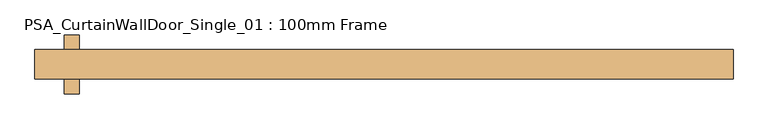
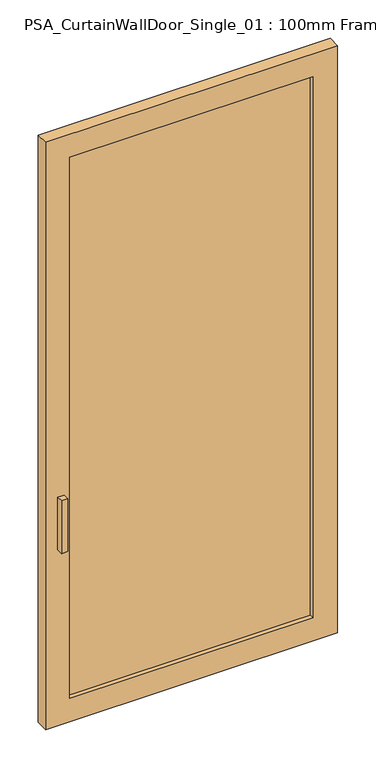
"""IFC4 building model written with IfcOpenShell, lengths in millimetres: door geometry, PSA_CurtainWallDoor_Single_01 : 100mm Frame."""

import ifcopenshell
import ifcopenshell.guid

model = None  # the IFC model being written
_history = None  # IfcOwnerHistory: only IFC2X3 demands one
_inside = {}  # id of a spatial element -> (the spatial element, [elements in it])
_under = {}  # id of a project, library or spatial element -> (it, [spatial elements below it])
_declared = {}  # id of a project -> (the project, [libraries it declares])
_typed = {}  # id of a type object -> (the type object, [elements of that type])
_made_of = {}  # id of a material, layer set ... -> (it, [elements and type objects made of it])


def new_model(schema):
    """Start an empty IFC model of exactly this schema.

    Asked for "IFC4X3", IfcOpenShell would pick the latest addendum, in which some entities
    have other attributes; the version numbers below select the first issue.
    IFC2X3 requires an IfcOwnerHistory on every rooted entity: one is made here for all.
    """
    global model, _history
    if schema == "IFC4X3":
        model = ifcopenshell.file(schema_version=(4, 3, 0, 0))
    else:
        model = ifcopenshell.file(schema=schema)
    _inside.clear()
    _under.clear()
    _declared.clear()
    _typed.clear()
    _made_of.clear()
    _history = None
    if model.schema == "IFC2X3":
        org = make("IfcOrganization", Name="unknown")
        user = make(
            "IfcPersonAndOrganization",
            ThePerson=make("IfcPerson", FamilyName="unknown"),
            TheOrganization=org,
        )
        app = make(
            "IfcApplication",
            ApplicationDeveloper=org,
            Version="unknown",
            ApplicationFullName="unknown",
            ApplicationIdentifier="unknown",
        )
        _history = make(
            "IfcOwnerHistory",
            OwningUser=user,
            OwningApplication=app,
            ChangeAction="ADDED",
            CreationDate=0,
        )
    return model


def make(cls, **values):
    """One entity of the class cls with the attributes given. An attribute that is None is left unset."""
    return model.create_entity(
        cls, **{name: value for name, value in values.items() if value is not None}
    )


def rooted(cls, **values):
    """An entity with a GlobalId (a new one), such as an element, a storey or a relation."""
    return make(cls, GlobalId=ifcopenshell.guid.new(), OwnerHistory=_history, **values)


def si_unit(unit_type, name, prefix=None):
    """IfcSIUnit, for example si_unit("LENGTHUNIT", "METRE", prefix="MILLI")."""
    return make("IfcSIUnit", UnitType=unit_type, Prefix=prefix, Name=name)


def assignment(units):
    """IfcUnitAssignment: the units of a project."""
    return None if units is None else make("IfcUnitAssignment", Units=units)


def point(xyz):
    """IfcCartesianPoint."""
    return None if xyz is None else make("IfcCartesianPoint", Coordinates=xyz)


def direction(xyz):
    """IfcDirection."""
    return None if xyz is None else make("IfcDirection", DirectionRatios=xyz)


def frame(location, z_axis=None, x_axis=None):
    """IfcAxis2Placement3D, a coordinate frame: its origin and axes. An axis left out is left unset."""
    return make(
        "IfcAxis2Placement3D",
        Location=point(location),
        Axis=direction(z_axis),
        RefDirection=direction(x_axis),
    )


def origin():
    """The frame at (0, 0, 0) with its axes left unset."""
    return frame((0.0, 0.0, 0.0))


def place(relative_to, where):
    """IfcLocalPlacement: puts the frame where relative to a parent placement (None: the world)."""
    return make(
        "IfcLocalPlacement", PlacementRelTo=relative_to, RelativePlacement=where
    )


def context(
    kind, dimensions, precision=None, world=None, true_north=None, identifier=None
):
    """IfcGeometricRepresentationContext, for example the 3D "Model" context."""
    return make(
        "IfcGeometricRepresentationContext",
        ContextIdentifier=identifier,
        ContextType=kind,
        CoordinateSpaceDimension=dimensions,
        Precision=precision,
        WorldCoordinateSystem=world,
        TrueNorth=true_north,
    )


def project(units=None, contexts=None):
    """IfcProject with its units and contexts."""
    return rooted(
        "IfcProject",
        Name="project",
        RepresentationContexts=contexts,
        UnitsInContext=assignment(units),
    )


def spatial(cls, under=None, at=None, **own):
    """A site, building, storey or space (cls), placed at a placement, below another one or the project."""
    s = rooted(cls, ObjectPlacement=at, **own)
    if under is not None:
        _under.setdefault(under.id(), (under, []))[1].append(s)
    return s


def polyline(points):
    """IfcPolyline through the points."""
    return make("IfcPolyline", Points=[point(p) for p in points])


def outline(outer, holes=None, kind="AREA"):
    """IfcArbitraryClosedProfileDef: a profile drawn as a closed curve; with holes, ...WithVoids."""
    if holes is None:
        return make("IfcArbitraryClosedProfileDef", ProfileType=kind, OuterCurve=outer)
    return make(
        "IfcArbitraryProfileDefWithVoids",
        ProfileType=kind,
        OuterCurve=outer,
        InnerCurves=holes,
    )


def extrude(swept, where, along, depth):
    """IfcExtrudedAreaSolid: the profile swept, set in the frame where, extruded along a direction by depth."""
    return make(
        "IfcExtrudedAreaSolid",
        SweptArea=swept,
        Position=where,
        ExtrudedDirection=direction(along),
        Depth=depth,
    )


def faces_of(points, faces, orient=None, outer=None):
    """IfcFace entities. A face is a list of loops; a loop is a list of indices into points, from 0.

    orient and outer hold one flag for each loop. By default every Orientation is true, the
    first loop of a face is its IfcFaceOuterBound and the others are IfcFaceBound.
    """
    made = []
    for i, loops in enumerate(faces):
        bounds = []
        for j, loop in enumerate(loops):
            is_outer = j == 0 if outer is None else outer[i][j]
            bounds.append(
                make(
                    "IfcFaceOuterBound" if is_outer else "IfcFaceBound",
                    Bound=make("IfcPolyLoop", Polygon=[points[k] for k in loop]),
                    Orientation=True if orient is None else orient[i][j],
                )
            )
        made.append(make("IfcFace", Bounds=bounds))
    return made


def faceted_brep(points, faces, orient=None, outer=None, voids=None):
    """IfcFacetedBrep: a solid bounded by flat faces; with voids (closed shells), ...WithVoids."""
    shared = [point(p) for p in points]
    hull = make("IfcClosedShell", CfsFaces=faces_of(shared, faces, orient, outer))
    if voids is None:
        return make("IfcFacetedBrep", Outer=hull)
    return make(
        "IfcFacetedBrepWithVoids",
        Outer=hull,
        Voids=[
            make(cls, CfsFaces=faces_of(shared, fs, o, b)) for cls, fs, o, b in voids
        ],
    )


def shape(context_of_items, identifier, shape_type, items):
    """IfcShapeRepresentation: the items that make up one representation, for example the "Body"."""
    return make(
        "IfcShapeRepresentation",
        ContextOfItems=context_of_items,
        RepresentationIdentifier=identifier,
        RepresentationType=shape_type,
        Items=items,
    )


def source(mapping_origin, context_of_items, identifier, shape_type, items):
    """IfcRepresentationMap: a shape defined once, which mapped items show again and again."""
    return make(
        "IfcRepresentationMap",
        MappingOrigin=mapping_origin,
        MappedRepresentation=shape(context_of_items, identifier, shape_type, items),
    )


def transform(
    local_origin,
    x_axis=None,
    y_axis=None,
    z_axis=None,
    scale=None,
    scale2=None,
    scale3=None,
    uniform=True,
):
    """IfcCartesianTransformationOperator3D, or its non-uniform kind. x_axis, y_axis, z_axis: its Axis1, 2, 3."""
    if uniform:
        return make(
            "IfcCartesianTransformationOperator3D",
            Axis1=direction(x_axis),
            Axis2=direction(y_axis),
            LocalOrigin=point(local_origin),
            Scale=scale,
            Axis3=direction(z_axis),
        )
    return make(
        "IfcCartesianTransformationOperator3DnonUniform",
        Axis1=direction(x_axis),
        Axis2=direction(y_axis),
        LocalOrigin=point(local_origin),
        Scale=scale,
        Axis3=direction(z_axis),
        Scale2=scale2,
        Scale3=scale3,
    )


def mapped(mapping_source, mapping_target):
    """IfcMappedItem: shows the shape of a source again, moved by a transform."""
    return make(
        "IfcMappedItem", MappingSource=mapping_source, MappingTarget=mapping_target
    )


def made_of(thing, what):
    """Note that an element or type object is made of a material, layer set ...; save() writes the relation."""
    if what is not None:
        _made_of.setdefault(what.id(), (what, []))[1].append(thing)
    return thing


def element(
    cls,
    number,
    at=None,
    inside=None,
    cuts=None,
    type_object=None,
    material=None,
    context=None,
    identifier="Body",
    shape_type=None,
    held_by="IfcProductDefinitionShape",
    body=None,
    shapes=None,
    **own,
):
    """One element of the class cls, such as IfcWall. Its Tag is "e" and its number.

    at: its placement. inside: the storey or other place that contains it. cuts: it is an
    opening in that element (IfcRelVoidsElement). A single representation is given by context,
    identifier, shape_type and body (its items); several are given by shapes. held_by: the class
    of the entity that holds the representations. save() writes the other relations.
    """
    e = rooted(cls, Tag="e%d" % number, ObjectPlacement=at, **own)
    if body is not None:
        shapes = [shape(context, identifier, shape_type, body)]
    if shapes is not None:
        e.Representation = make(held_by, Representations=shapes)
    if inside is not None:
        _inside.setdefault(inside.id(), (inside, []))[1].append(e)
    if cuts is not None:
        rooted(
            "IfcRelVoidsElement", RelatingBuildingElement=cuts, RelatedOpeningElement=e
        )
    if type_object is not None:
        _typed.setdefault(type_object.id(), (type_object, []))[1].append(e)
    return made_of(e, material)


def aggregate(whole, parts):
    """IfcRelAggregates: a whole, such as a stair, and the parts it consists of."""
    return rooted("IfcRelAggregates", RelatingObject=whole, RelatedObjects=parts)


def save(model, path):
    """Write the relations noted so far, then the file.

    IfcRelAggregates (storeys below a building ...), IfcRelContainedInSpatialStructure (elements
    in a storey), IfcRelDefinesByType, IfcRelAssociatesMaterial and IfcRelDeclares: one each for
    every whole, place, type object, material and project.
    """
    for whole, parts in _under.values():
        aggregate(whole, parts)
    for where, things in _inside.values():
        rooted(
            "IfcRelContainedInSpatialStructure",
            RelatedElements=things,
            RelatingStructure=where,
        )
    for kind, things in _typed.values():
        rooted("IfcRelDefinesByType", RelatedObjects=things, RelatingType=kind)
    for what, things in _made_of.values():
        rooted("IfcRelAssociatesMaterial", RelatedObjects=things, RelatingMaterial=what)
    for by, libraries in _declared.values():
        rooted("IfcRelDeclares", RelatingContext=by, RelatedDefinitions=libraries)
    model.write(path)


def psa_curtainwalldoor_single_01_100mm_frame_1b793189(model_context):
    return source(origin(), model_context, "Body", "SolidModel", [
        faceted_brep([(-599.9092903, -25.4, 2550.0), (-599.9092903, -25.4, 0.0), (600.0, -25.4, 0.0), (600.0, -25.4, 2550.0), (500.0, -25.4, 2450.0), (500.0, -25.4, 100.0), (-500.0, -25.4, 100.0), (-500.0, -25.4, 2450.0), (-549.2000001, -25.4, 990.6), (-523.8000001, -25.4, 990.6), (-523.8000001, -25.4, 762.0), (-549.2000001, -25.4, 762.0), (-599.9092903, 25.4, 2550.0), (600.0, 25.4, 2550.0), (600.0, 25.4, 0.0), (-599.9092903, 25.4, 0.0), (500.0, 25.4, 2450.0), (-500.0, 25.4, 2450.0), (-500.0, 25.4, 100.0), (500.0, 25.4, 100.0), (-523.8000001, 25.4, 990.6), (-549.2000001, 25.4, 990.6), (-549.2000001, 25.4, 762.0), (-523.8000001, 25.4, 762.0), (-523.8000001, -50.8, 990.6), (-549.2000001, -50.8, 990.6), (-549.2000001, -50.8, 762.0), (-523.8000001, -50.8, 762.0), (-549.2000001, 50.8, 990.6), (-523.8000001, 50.8, 990.6), (-523.8000001, 50.8, 762.0), (-549.2000001, 50.8, 762.0)], [[[0, 1, 2, 3], [4, 5, 6, 7], [8, 9, 10, 11]], [[12, 13, 14, 15], [16, 17, 18, 19], [20, 21, 22, 23]], [[1, 0, 12, 15]], [[2, 1, 15, 14]], [[3, 2, 14, 13]], [[0, 3, 13, 12]], [[5, 4, 16, 19]], [[6, 5, 19, 18]], [[7, 6, 18, 17]], [[4, 7, 17, 16]], [[24, 25, 26, 27]], [[25, 24, 9, 8]], [[26, 25, 8, 11]], [[27, 26, 11, 10]], [[24, 27, 10, 9]], [[28, 29, 30, 31]], [[29, 28, 21, 20]], [[30, 29, 20, 23]], [[31, 30, 23, 22]], [[28, 31, 22, 21]]]),
        extrude(outline(polyline([(500.0, -6.35), (-500.0, -6.35), (-500.0, 6.35), (500.0, 6.35), (500.0, -6.35)])), frame((0.0, 0.0, 100.0), z_axis=(0.0, 0.0, 1.0), x_axis=(1.0, 0.0, 0.0)), (0.0, 0.0, 1.0), 2350.0),
    ])


if __name__ == "__main__":
    model = new_model("IFC4")
    model_context = context("Model", 3, world=origin())
    ifc_project = project(units=[si_unit("LENGTHUNIT", "METRE", prefix="MILLI")], contexts=[model_context])
    site = spatial("IfcSite", under=ifc_project)
    building = spatial("IfcBuilding", under=site)
    placement = place(None, origin())
    psa_curtainwalldoor_single_01_100mm_frame_shape = psa_curtainwalldoor_single_01_100mm_frame_1b793189(model_context)
    element("IfcDoor", 1, ObjectType="PSA_CurtainWallDoor_Single_01 : 100mm Frame", at=placement, inside=building, context=model_context, shape_type="MappedRepresentation", body=[
        mapped(psa_curtainwalldoor_single_01_100mm_frame_shape, transform((0.0, 0.0, 0.0), x_axis=(1.0, 0.0, 0.0), y_axis=(0.0, 1.0, 0.0), z_axis=(0.0, 0.0, 1.0))),
    ])
    save(model, "model.ifc")
